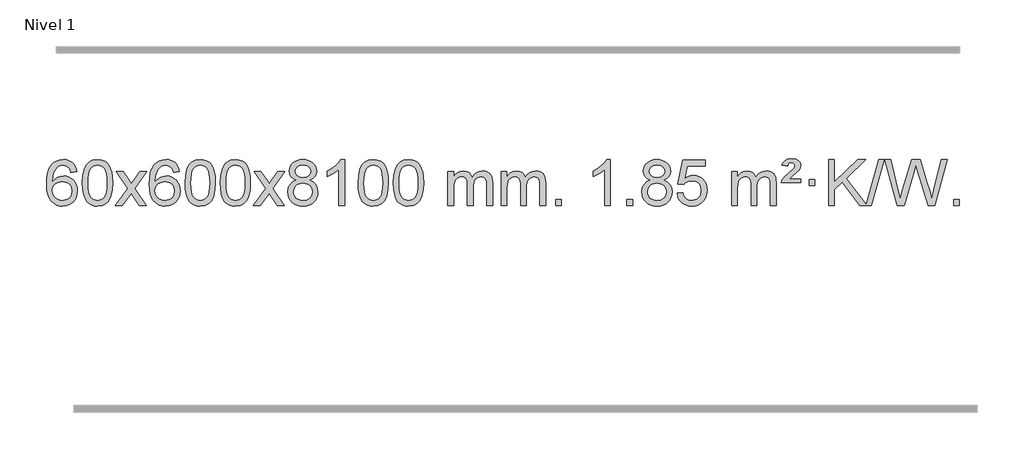
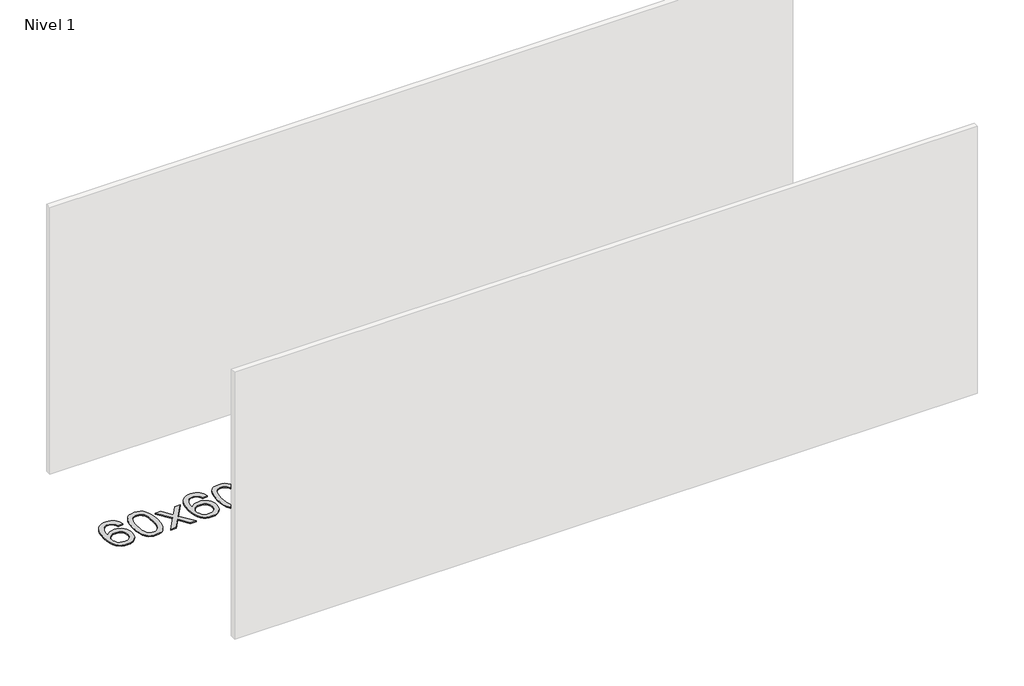
# One storey, part 12 of 18: 1 proxy.
"""IFC4 building model written with IfcOpenShell, lengths in millimetres."""

from ifc_helpers import new_model, si_unit, origin, origin_with_axes, place, context, project, spatial, polyline, outline, extrude, element, save

model = new_model("IFC4")

# Units and contexts
model_context = context("Model", 3, world=origin())
ifc_project = project(units=[si_unit("LENGTHUNIT", "METRE", prefix="MILLI")], contexts=[model_context])

# Site, building, storey
site = spatial("IfcSite", under=ifc_project)
building = spatial("IfcBuilding", under=site)
storey = spatial("IfcBuildingStorey", under=building, Name="Nivel 1", Elevation=0.0)

# Proxy
placement = place(None, origin())
element("IfcBuildingElementProxy", 1, Name="Texto de modelo 1", ObjectType="Texto de modelo 1", at=placement, inside=storey, context=model_context, shape_type="SweptSolid", body=[
    extrude(outline(polyline([(-12852.5741406, -6125.4890419), (-12902.8022957, -6131.7675613), (-12910.8956996, -6106.874213), (-12921.8340576, -6089.8780648), (-12944.6182158, -6074.2062918), (-12972.1603145, -6068.9823675), (-12995.5085585, -6072.0235253), (-13017.4833763, -6081.1469988), (-13036.3557227, -6100.3627017), (-13051.7699783, -6126.8134171), (-13062.1810387, -6164.227016), (-13066.0437997, -6216.3313693), (-13045.8961291, -6192.8237098), (-13021.7508075, -6176.2567573), (-12994.9567355, -6166.434308), (-12966.8628138, -6163.1601582), (-12942.7297549, -6165.398107), (-12920.4606315, -6172.1119534), (-12900.0554435, -6183.3016975), (-12881.5141909, -6198.9673391), (-12866.1060667, -6218.1769106), (-12855.1002637, -6239.9984443), (-12848.4967818, -6264.4319401), (-12846.2956212, -6291.4773982), (-12850.440425, -6327.4439945), (-12862.8748365, -6360.786366), (-12882.568786, -6389.0642287), (-12908.4922039, -6409.8372987), (-12939.4678679, -6422.602804), (-12974.3185556, -6426.8579724), (-13004.2610843, -6424.0375437), (-13031.3034766, -6415.5762579), (-13055.4457325, -6401.4741147), (-13076.6878521, -6381.7311143), (-13094.005897, -6355.5133908), (-13106.3759291, -6321.9870783), (-13113.7979483, -6281.1521768), (-13116.2719548, -6233.0086864), (-13113.5251025, -6179.0342663), (-13105.2845458, -6132.9693092), (-13091.5502847, -6094.8138149), (-13072.3223191, -6064.5677835), (-13051.481804, -6044.5243462), (-13027.3180883, -6030.2076052), (-12999.8311719, -6021.6175606), (-12969.0210548, -6018.7542124), (-12945.8874087, -6020.5261773), (-12924.9487918, -6025.8420722), (-12906.2052042, -6034.7018969), (-12889.6566457, -6047.1056515), (-12875.7507063, -6062.6364031), (-12864.9349757, -6080.8772186), (-12857.2094538, -6101.8280983), (-12852.5741406, -6125.4890419)]), holes=[polyline([(-13066.0437997, -6290.6925832), (-13063.1375319, -6312.9494439), (-13054.4187286, -6334.2007605), (-13040.8806712, -6352.472233), (-13023.516641, -6365.7895612), (-13002.5596301, -6373.9197533), (-12978.2426302, -6376.6298173), (-12945.0964624, -6371.0134855), (-12931.1813259, -6363.9930708), (-12919.0381544, -6354.1644901), (-12909.188114, -6341.9262824), (-12902.1523708, -6327.6769865), (-12896.5237763, -6293.1451299), (-12902.0787944, -6259.9989621), (-12909.0225671, -6246.3781312), (-12918.7438488, -6234.725469), (-12930.9238085, -6225.3904634), (-12945.2436152, -6218.7226022), (-12980.3027693, -6213.3883133), (-13013.3998862, -6218.7226022), (-13041.0768749, -6234.725469), (-13051.9999045, -6246.2248471), (-13059.8020685, -6259.3858254), (-13064.4833669, -6274.2084042), (-13066.0437997, -6290.6925832)])]), origin_with_axes(), (0.0, 0.0, 1.0), 10.0),
    extrude(outline(polyline([(-12802.3459855, -6222.9041943), (-12798.6549029, -6158.5861588), (-12787.5816548, -6107.2911459), (-12769.236606, -6068.2343407), (-12757.378543, -6053.0009605), (-12743.730121, -6040.6309284), (-12728.2453547, -6031.0598651), (-12710.8782588, -6024.2233914), (-12670.4970785, -6018.7542124), (-12639.5459399, -6021.991574), (-12611.832163, -6031.7036586), (-12588.6555973, -6047.5103217), (-12571.3160926, -6069.0314184), (-12558.2194935, -6096.0830078), (-12547.7716449, -6128.4811488), (-12540.9290398, -6169.6226186), (-12538.6481714, -6222.9041943), (-12542.3024659, -6286.8543477), (-12553.2653493, -6338.0267333), (-12571.5000336, -6377.1203266), (-12583.3305054, -6392.3996922), (-12596.9697304, -6404.8341036), (-12612.4728908, -6414.4695462), (-12629.8951689, -6421.3520052), (-12670.4970785, -6426.8579724), (-12698.1618045, -6424.4667394), (-12722.6872709, -6417.2930405), (-12744.0734775, -6405.3368757), (-12762.3204245, -6388.5982449), (-12779.8316074, -6358.3399508), (-12792.3395953, -6320.6381776), (-12799.844388, -6275.4929255), (-12802.3459855, -6222.9041943)]), holes=[polyline([(-12752.1178305, -6222.8060924), (-12750.6463025, -6266.4706195), (-12746.2317185, -6301.8148822), (-12738.8740786, -6328.8388804), (-12728.5733828, -6347.5426142), (-12716.1144459, -6360.2682656), (-12702.2820829, -6369.3580165), (-12687.0762937, -6374.8118671), (-12670.4970785, -6376.6298173), (-12653.9178632, -6374.8057357), (-12638.7120741, -6369.3334911), (-12624.8797111, -6360.2130833), (-12612.4207742, -6347.4445124), (-12602.1200783, -6328.7101217), (-12594.7624384, -6301.6922549), (-12590.3478545, -6266.3909118), (-12588.8763265, -6222.8060924), (-12590.2988035, -6180.2973278), (-12594.5662347, -6145.5753989), (-12601.6786199, -6118.6403055), (-12611.6359592, -6099.4920476), (-12623.8864297, -6086.1440625), (-12637.8782082, -6076.6097875), (-12653.6112949, -6070.8892225), (-12671.0856897, -6068.9823675), (-12687.5790658, -6070.6623619), (-12702.5273375, -6075.7023452), (-12715.9305049, -6084.1023175), (-12727.7885679, -6095.8622786), (-12738.4326203, -6116.708925), (-12746.0355148, -6144.8151094), (-12750.5972516, -6180.1808319), (-12752.1178305, -6222.8060924)])]), origin_with_axes(), (0.0, 0.0, 1.0), 10.0),
    extrude(outline(polyline([(-12513.5340939, -6420.579453), (-12406.2106531, -6272.2494325), (-12507.2555745, -6125.4890419), (-12446.8248254, -6125.4890419), (-12398.0681983, -6196.122385), (-12375.3085655, -6229.4770192), (-12355.5900906, -6202.2047007), (-12300.0644348, -6125.4890419), (-12239.6336857, -6125.4890419), (-12345.7799041, -6272.2494325), (-12243.5577603, -6420.579453), (-12303.9885094, -6420.579453), (-12365.498379, -6331.4048574), (-12376.7800935, -6315.1199477), (-12453.1033448, -6420.579453), (-12513.5340939, -6420.579453)])), origin_with_axes(), (0.0, 0.0, 1.0), 10.0),
    extrude(outline(polyline([(-11954.7458687, -6125.4890419), (-12004.9740237, -6131.7675613), (-12013.0674276, -6106.874213), (-12024.0057856, -6089.8780648), (-12046.7899439, -6074.2062918), (-12074.3320426, -6068.9823675), (-12097.6802865, -6072.0235253), (-12119.6551044, -6081.1469988), (-12138.5274507, -6100.3627017), (-12153.9417063, -6126.8134171), (-12164.3527668, -6164.227016), (-12168.2155277, -6216.3313693), (-12148.0678571, -6192.8237098), (-12123.9225355, -6176.2567573), (-12097.1284635, -6166.434308), (-12069.0345418, -6163.1601582), (-12044.9014829, -6165.398107), (-12022.6323595, -6172.1119534), (-12002.2271715, -6183.3016975), (-11983.6859189, -6198.9673391), (-11968.2777947, -6218.1769106), (-11957.2719917, -6239.9984443), (-11950.6685099, -6264.4319401), (-11948.4673493, -6291.4773982), (-11952.6121531, -6327.4439945), (-11965.0465645, -6360.786366), (-11984.740514, -6389.0642287), (-12010.6639319, -6409.8372987), (-12041.6395959, -6422.602804), (-12076.4902836, -6426.8579724), (-12106.4328123, -6424.0375437), (-12133.4752046, -6415.5762579), (-12157.6174606, -6401.4741147), (-12178.8595801, -6381.7311143), (-12196.177625, -6355.5133908), (-12208.5476571, -6321.9870783), (-12215.9696764, -6281.1521768), (-12218.4436828, -6233.0086864), (-12215.6968306, -6179.0342663), (-12207.4562739, -6132.9693092), (-12193.7220127, -6094.8138149), (-12174.4940471, -6064.5677835), (-12153.6535321, -6044.5243462), (-12129.4898164, -6030.2076052), (-12102.0029, -6021.6175606), (-12071.1927829, -6018.7542124), (-12048.0591367, -6020.5261773), (-12027.1205198, -6025.8420722), (-12008.3769322, -6034.7018969), (-11991.8283738, -6047.1056515), (-11977.9224344, -6062.6364031), (-11967.1067037, -6080.8772186), (-11959.3811818, -6101.8280983), (-11954.7458687, -6125.4890419)]), holes=[polyline([(-12168.2155277, -6290.6925832), (-12165.30926, -6312.9494439), (-12156.5904567, -6334.2007605), (-12143.0523993, -6352.472233), (-12125.6883691, -6365.7895612), (-12104.7313581, -6373.9197533), (-12080.4143582, -6376.6298173), (-12047.2681904, -6371.0134855), (-12033.353054, -6363.9930708), (-12021.2098825, -6354.1644901), (-12011.359842, -6341.9262824), (-12004.3240989, -6327.6769865), (-11998.6955043, -6293.1451299), (-12004.2505225, -6259.9989621), (-12011.1942951, -6246.3781312), (-12020.9155769, -6234.725469), (-12033.0955366, -6225.3904634), (-12047.4153432, -6218.7226022), (-12082.4744974, -6213.3883133), (-12115.5716142, -6218.7226022), (-12143.248603, -6234.725469), (-12154.1716326, -6246.2248471), (-12161.9737965, -6259.3858254), (-12166.6550949, -6274.2084042), (-12168.2155277, -6290.6925832)])]), origin_with_axes(), (0.0, 0.0, 1.0), 10.0),
    extrude(outline(polyline([(-11904.5177136, -6222.9041943), (-11900.8266309, -6158.5861588), (-11889.7533828, -6107.2911459), (-11871.408334, -6068.2343407), (-11859.550271, -6053.0009605), (-11845.901849, -6040.6309284), (-11830.4170827, -6031.0598651), (-11813.0499869, -6024.2233914), (-11772.6688065, -6018.7542124), (-11741.717668, -6021.991574), (-11714.003891, -6031.7036586), (-11690.8273253, -6047.5103217), (-11673.4878206, -6069.0314184), (-11660.3912216, -6096.0830078), (-11649.9433729, -6128.4811488), (-11643.1007678, -6169.6226186), (-11640.8198994, -6222.9041943), (-11644.4741939, -6286.8543477), (-11655.4370774, -6338.0267333), (-11673.6717616, -6377.1203266), (-11685.5022334, -6392.3996922), (-11699.1414584, -6404.8341036), (-11714.6446188, -6414.4695462), (-11732.066897, -6421.3520052), (-11772.6688065, -6426.8579724), (-11800.3335326, -6424.4667394), (-11824.8589989, -6417.2930405), (-11846.2452055, -6405.3368757), (-11864.4921525, -6388.5982449), (-11882.0033355, -6358.3399508), (-11894.5113233, -6320.6381776), (-11902.016116, -6275.4929255), (-11904.5177136, -6222.9041943)]), holes=[polyline([(-11854.2895585, -6222.8060924), (-11852.8180305, -6266.4706195), (-11848.4034466, -6301.8148822), (-11841.0458067, -6328.8388804), (-11830.7451108, -6347.5426142), (-11818.2861739, -6360.2682656), (-11804.4538109, -6369.3580165), (-11789.2480218, -6374.8118671), (-11772.6688065, -6376.6298173), (-11756.0895913, -6374.8057357), (-11740.8838021, -6369.3334911), (-11727.0514391, -6360.2130833), (-11714.5925022, -6347.4445124), (-11704.2918063, -6328.7101217), (-11696.9341664, -6301.6922549), (-11692.5195825, -6266.3909118), (-11691.0480545, -6222.8060924), (-11692.4705316, -6180.2973278), (-11696.7379627, -6145.5753989), (-11703.8503479, -6118.6403055), (-11713.8076873, -6099.4920476), (-11726.0581577, -6086.1440625), (-11740.0499363, -6076.6097875), (-11755.7830229, -6070.8892225), (-11773.2574177, -6068.9823675), (-11789.7507938, -6070.6623619), (-11804.6990656, -6075.7023452), (-11818.1022329, -6084.1023175), (-11829.9602959, -6095.8622786), (-11840.6043483, -6116.708925), (-11848.2072429, -6144.8151094), (-11852.7689796, -6180.1808319), (-11854.2895585, -6222.8060924)])]), origin_with_axes(), (0.0, 0.0, 1.0), 10.0),
    extrude(outline(polyline([(-11596.8702638, -6222.9041943), (-11593.1791811, -6158.5861588), (-11582.105933, -6107.2911459), (-11563.7608842, -6068.2343407), (-11551.9028212, -6053.0009605), (-11538.2543992, -6040.6309284), (-11522.7696329, -6031.0598651), (-11505.402537, -6024.2233914), (-11465.0213567, -6018.7542124), (-11434.0702182, -6021.991574), (-11406.3564412, -6031.7036586), (-11383.1798755, -6047.5103217), (-11365.8403708, -6069.0314184), (-11352.7437718, -6096.0830078), (-11342.2959231, -6128.4811488), (-11335.453318, -6169.6226186), (-11333.1724496, -6222.9041943), (-11336.8267441, -6286.8543477), (-11347.7896275, -6338.0267333), (-11366.0243118, -6377.1203266), (-11377.8547836, -6392.3996922), (-11391.4940086, -6404.8341036), (-11406.997169, -6414.4695462), (-11424.4194471, -6421.3520052), (-11465.0213567, -6426.8579724), (-11492.6860827, -6424.4667394), (-11517.2115491, -6417.2930405), (-11538.5977557, -6405.3368757), (-11556.8447027, -6388.5982449), (-11574.3558856, -6358.3399508), (-11586.8638735, -6320.6381776), (-11594.3686662, -6275.4929255), (-11596.8702638, -6222.9041943)]), holes=[polyline([(-11546.6421087, -6222.8060924), (-11545.1705807, -6266.4706195), (-11540.7559968, -6301.8148822), (-11533.3983568, -6328.8388804), (-11523.097661, -6347.5426142), (-11510.6387241, -6360.2682656), (-11496.8063611, -6369.3580165), (-11481.6005719, -6374.8118671), (-11465.0213567, -6376.6298173), (-11448.4421414, -6374.8057357), (-11433.2363523, -6369.3334911), (-11419.4039893, -6360.2130833), (-11406.9450524, -6347.4445124), (-11396.6443565, -6328.7101217), (-11389.2867166, -6301.6922549), (-11384.8721327, -6266.3909118), (-11383.4006047, -6222.8060924), (-11384.8230817, -6180.2973278), (-11389.0905129, -6145.5753989), (-11396.2028981, -6118.6403055), (-11406.1602375, -6099.4920476), (-11418.4107079, -6086.1440625), (-11432.4024864, -6076.6097875), (-11448.1355731, -6070.8892225), (-11465.6099679, -6068.9823675), (-11482.103344, -6070.6623619), (-11497.0516157, -6075.7023452), (-11510.4547831, -6084.1023175), (-11522.3128461, -6095.8622786), (-11532.9568985, -6116.708925), (-11540.559793, -6144.8151094), (-11545.1215298, -6180.1808319), (-11546.6421087, -6222.8060924)])]), origin_with_axes(), (0.0, 0.0, 1.0), 10.0),
    extrude(outline(polyline([(-11308.0583721, -6420.579453), (-11200.7349313, -6272.2494325), (-11301.7798527, -6125.4890419), (-11241.3491036, -6125.4890419), (-11192.5924765, -6196.122385), (-11169.8328437, -6229.4770192), (-11150.1143688, -6202.2047007), (-11094.588713, -6125.4890419), (-11034.1579639, -6125.4890419), (-11140.3041823, -6272.2494325), (-11038.0820385, -6420.579453), (-11098.5127876, -6420.579453), (-11160.0226572, -6331.4048574), (-11171.3043717, -6315.1199477), (-11247.627623, -6420.579453), (-11308.0583721, -6420.579453)])), origin_with_axes(), (0.0, 0.0, 1.0), 10.0),
    extrude(outline(polyline([(-10933.50545, -6199.2616447), (-10960.3976239, -6186.0178929), (-10979.2699702, -6168.0652515), (-10990.4167947, -6145.7716026), (-10994.1324029, -6119.5048281), (-10992.1090519, -6099.0199324), (-10986.038999, -6080.2395565), (-10975.9222441, -6063.1637006), (-10961.7587873, -6047.7923645), (-10944.2292102, -6035.088173), (-10924.0140946, -6026.0137504), (-10901.1134404, -6020.5690969), (-10875.5272476, -6018.7542124), (-10849.8184275, -6020.6120165), (-10826.746095, -6026.1854287), (-10806.3102502, -6035.4744491), (-10788.510893, -6048.4790776), (-10774.0899188, -6064.1508506), (-10763.7892229, -6081.4413044), (-10757.6088054, -6100.3504389), (-10755.5486662, -6120.8782543), (-10759.2152235, -6146.2989001), (-10770.2148951, -6168.2124043), (-10788.6703085, -6186.0546811), (-10814.7040911, -6199.2616447), (-10783.7897407, -6215.1909351), (-10761.2876254, -6238.6495436), (-10747.565627, -6268.5092989), (-10742.9916275, -6303.6420295), (-10745.2602331, -6328.6947933), (-10752.06605, -6351.6628926), (-10763.4090782, -6372.5463272), (-10779.2893177, -6391.3450971), (-10798.8729025, -6406.88198), (-10821.325967, -6417.9797536), (-10846.648511, -6424.6384177), (-10874.8405346, -6426.8579724), (-10903.0325581, -6424.6292206), (-10928.3551021, -6417.9429654), (-10950.8081666, -6406.7992066), (-10970.3917514, -6391.1979443), (-10986.2719909, -6372.26735), (-10997.6150191, -6351.135595), (-11004.420836, -6327.8026795), (-11006.6894416, -6302.2686033), (-11001.9315012, -6265.7747094), (-10987.6576797, -6235.7555386), (-10964.6037414, -6213.2411605), (-10933.50545, -6199.2616447)]), holes=[polyline([(-10943.9042478, -6120.9763561), (-10939.4528756, -6142.902123), (-10926.0987592, -6160.413306), (-10904.234306, -6171.8912243), (-10874.2519234, -6175.717197), (-10844.9685165, -6171.9157497), (-10823.4351571, -6160.5114079), (-10810.1914053, -6143.5888361), (-10805.7768213, -6123.232699), (-10810.3385581, -6102.1040098), (-10824.0237683, -6084.629615), (-10845.8514333, -6072.8941794), (-10874.8405346, -6068.9823675), (-10904.0135768, -6072.8083402), (-10925.8044536, -6084.2862585), (-10939.3792992, -6101.1107284), (-10943.9042478, -6120.9763561)]), polyline([(-10956.4612865, -6300.5027698), (-10954.3643592, -6319.7184726), (-10948.0735771, -6338.3210389), (-10936.4607687, -6354.5446349), (-10918.3977628, -6366.623427), (-10896.7663015, -6374.1282197), (-10874.4481271, -6376.6298173), (-10840.259627, -6371.3691048), (-10826.3659503, -6364.7932141), (-10814.6059892, -6355.5869672), (-10798.5663342, -6331.6869002), (-10793.2197826, -6302.0723996), (-10798.7380125, -6271.9551269), (-10815.2927023, -6247.5277625), (-10827.3714944, -6238.0854579), (-10841.5349513, -6231.3409547), (-10876.1158588, -6225.9453521), (-10909.8261123, -6231.2673783), (-10923.5634391, -6237.919911), (-10935.2222327, -6247.2334569), (-10951.1515231, -6271.1948375), (-10956.4612865, -6300.5027698)])]), origin_with_axes(), (0.0, 0.0, 1.0), 10.0),
    extrude(outline(polyline([(-10510.6864103, -6420.579453), (-10560.9145653, -6420.579453), (-10560.9145653, -6107.4382987), (-10581.8838391, -6124.3976587), (-10608.49397, -6141.3324932), (-10661.3708755, -6166.6918254), (-10661.3708755, -6119.2105225), (-10621.9216629, -6097.7507395), (-10587.7454255, -6072.219729), (-10560.8042007, -6045.0700378), (-10543.0600258, -6018.7542124), (-10510.6864103, -6018.7542124), (-10510.6864103, -6420.579453)])), origin_with_axes(), (0.0, 0.0, 1.0), 10.0),
    extrude(outline(polyline([(-10391.394542, -6222.9041943), (-10387.7034593, -6158.5861588), (-10376.6302112, -6107.2911459), (-10358.2851624, -6068.2343407), (-10346.4270994, -6053.0009605), (-10332.7786774, -6040.6309284), (-10317.2939111, -6031.0598651), (-10299.9268152, -6024.2233914), (-10259.5456349, -6018.7542124), (-10228.5944964, -6021.991574), (-10200.8807194, -6031.7036586), (-10177.7041537, -6047.5103217), (-10160.364649, -6069.0314184), (-10147.26805, -6096.0830078), (-10136.8202013, -6128.4811488), (-10129.9775962, -6169.6226186), (-10127.6967278, -6222.9041943), (-10131.3510223, -6286.8543477), (-10142.3139058, -6338.0267333), (-10160.54859, -6377.1203266), (-10172.3790618, -6392.3996922), (-10186.0182868, -6404.8341036), (-10201.5214472, -6414.4695462), (-10218.9437253, -6421.3520052), (-10259.5456349, -6426.8579724), (-10287.2103609, -6424.4667394), (-10311.7358273, -6417.2930405), (-10333.1220339, -6405.3368757), (-10351.3689809, -6388.5982449), (-10368.8801639, -6358.3399508), (-10381.3881517, -6320.6381776), (-10388.8929444, -6275.4929255), (-10391.394542, -6222.9041943)]), holes=[polyline([(-10341.1663869, -6222.8060924), (-10339.6948589, -6266.4706195), (-10335.280275, -6301.8148822), (-10327.9226351, -6328.8388804), (-10317.6219392, -6347.5426142), (-10305.1630023, -6360.2682656), (-10291.3306393, -6369.3580165), (-10276.1248501, -6374.8118671), (-10259.5456349, -6376.6298173), (-10242.9664196, -6374.8057357), (-10227.7606305, -6369.3334911), (-10213.9282675, -6360.2130833), (-10201.4693306, -6347.4445124), (-10191.1686347, -6328.7101217), (-10183.8109948, -6301.6922549), (-10179.3964109, -6266.3909118), (-10177.9248829, -6222.8060924), (-10179.3473599, -6180.2973278), (-10183.6147911, -6145.5753989), (-10190.7271763, -6118.6403055), (-10200.6845157, -6099.4920476), (-10212.9349861, -6086.1440625), (-10226.9267646, -6076.6097875), (-10242.6598513, -6070.8892225), (-10260.1342461, -6068.9823675), (-10276.6276222, -6070.6623619), (-10291.5758939, -6075.7023452), (-10304.9790613, -6084.1023175), (-10316.8371243, -6095.8622786), (-10327.4811767, -6116.708925), (-10335.0840712, -6144.8151094), (-10339.645808, -6180.1808319), (-10341.1663869, -6222.8060924)])]), origin_with_axes(), (0.0, 0.0, 1.0), 10.0),
    extrude(outline(polyline([(-10083.7470921, -6222.9041943), (-10080.0560094, -6158.5861588), (-10068.9827614, -6107.2911459), (-10050.6377126, -6068.2343407), (-10038.7796496, -6053.0009605), (-10025.1312276, -6040.6309284), (-10009.6464612, -6031.0598651), (-9992.2793654, -6024.2233914), (-9951.8981851, -6018.7542124), (-9920.9470465, -6021.991574), (-9893.2332696, -6031.7036586), (-9870.0567039, -6047.5103217), (-9852.7171992, -6069.0314184), (-9839.6206001, -6096.0830078), (-9829.1727515, -6128.4811488), (-9822.3301463, -6169.6226186), (-9820.049278, -6222.9041943), (-9823.7035725, -6286.8543477), (-9834.6664559, -6338.0267333), (-9852.9011401, -6377.1203266), (-9864.731612, -6392.3996922), (-9878.3708369, -6404.8341036), (-9893.8739974, -6414.4695462), (-9911.2962755, -6421.3520052), (-9951.8981851, -6426.8579724), (-9979.5629111, -6424.4667394), (-10004.0883774, -6417.2930405), (-10025.4745841, -6405.3368757), (-10043.721531, -6388.5982449), (-10061.232714, -6358.3399508), (-10073.7407019, -6320.6381776), (-10081.2454946, -6275.4929255), (-10083.7470921, -6222.9041943)]), holes=[polyline([(-10033.518937, -6222.8060924), (-10032.0474091, -6266.4706195), (-10027.6328251, -6301.8148822), (-10020.2751852, -6328.8388804), (-10009.9744894, -6347.5426142), (-9997.5155525, -6360.2682656), (-9983.6831894, -6369.3580165), (-9968.4774003, -6374.8118671), (-9951.8981851, -6376.6298173), (-9935.3189698, -6374.8057357), (-9920.1131807, -6369.3334911), (-9906.2808176, -6360.2130833), (-9893.8218807, -6347.4445124), (-9883.5211849, -6328.7101217), (-9876.163545, -6301.6922549), (-9871.748961, -6266.3909118), (-9870.2774331, -6222.8060924), (-9871.6999101, -6180.2973278), (-9875.9673412, -6145.5753989), (-9883.0797265, -6118.6403055), (-9893.0370658, -6099.4920476), (-9905.2875363, -6086.1440625), (-9919.2793148, -6076.6097875), (-9935.0124015, -6070.8892225), (-9952.4867962, -6068.9823675), (-9968.9801724, -6070.6623619), (-9983.9284441, -6075.7023452), (-9997.3316115, -6084.1023175), (-10009.1896744, -6095.8622786), (-10019.8337268, -6116.708925), (-10027.4366214, -6144.8151094), (-10031.9983581, -6180.1808319), (-10033.518937, -6222.8060924)])]), origin_with_axes(), (0.0, 0.0, 1.0), 10.0),
    extrude(outline(polyline([(-9606.5796189, -6420.579453), (-9606.5796189, -6125.4890419), (-9556.3514638, -6125.4890419), (-9556.3514638, -6174.0494653), (-9541.2437766, -6151.7435537), (-9521.8196072, -6134.2691589), (-9498.7411434, -6122.9751816), (-9472.6705727, -6119.2105225), (-9444.7360665, -6123.048758), (-9422.3443157, -6134.5634645), (-9405.6179477, -6152.9943524), (-9394.6795897, -6177.5811324), (-9376.3713291, -6152.0439906), (-9355.4878945, -6133.803175), (-9332.0292859, -6122.8586857), (-9305.9955034, -6119.2105225), (-9285.8876867, -6120.7280358), (-9268.2385479, -6125.2805755), (-9253.0480872, -6132.8681416), (-9240.3163045, -6143.4907342), (-9230.2516663, -6157.2709806), (-9223.0626389, -6174.3315082), (-9218.7492225, -6194.6723168), (-9217.3114171, -6218.2934066), (-9217.3114171, -6420.579453), (-9267.5395722, -6420.579453), (-9267.5395722, -6239.875817), (-9268.7045318, -6214.8230531), (-9272.1994108, -6197.9372695), (-9278.7477103, -6186.3735121), (-9289.0729316, -6177.2868268), (-9302.3534716, -6171.4007149), (-9317.7677272, -6169.4386776), (-9344.9787321, -6174.4663982), (-9367.1620165, -6189.54956), (-9375.7673895, -6201.1194488), (-9381.9140845, -6215.7182326), (-9386.8314405, -6254.0024856), (-9386.8314405, -6420.579453), (-9437.0595955, -6420.579453), (-9437.0595955, -6234.2840106), (-9439.9658633, -6205.8835206), (-9448.6846666, -6185.6254854), (-9464.0253458, -6173.4853796), (-9486.7972413, -6169.4386776), (-9506.1478342, -6172.1364789), (-9523.9778483, -6180.2298828), (-9538.6931281, -6193.5226856), (-9548.6995183, -6211.8186835), (-9554.4384775, -6237.2025411), (-9556.3514638, -6271.7589232), (-9556.3514638, -6420.579453), (-9606.5796189, -6420.579453)])), origin_with_axes(), (0.0, 0.0, 1.0), 10.0),
    extrude(outline(polyline([(-9141.9691845, -6420.579453), (-9141.9691845, -6125.4890419), (-9091.7410294, -6125.4890419), (-9091.7410294, -6174.0494653), (-9076.6333421, -6151.7435537), (-9057.2091728, -6134.2691589), (-9034.130709, -6122.9751816), (-9008.0601382, -6119.2105225), (-8980.1256321, -6123.048758), (-8957.7338813, -6134.5634645), (-8941.0075132, -6152.9943524), (-8930.0691552, -6177.5811324), (-8911.7608946, -6152.0439906), (-8890.87746, -6133.803175), (-8867.4188515, -6122.8586857), (-8841.3850689, -6119.2105225), (-8821.2772522, -6120.7280358), (-8803.6281135, -6125.2805755), (-8788.4376528, -6132.8681416), (-8775.7058701, -6143.4907342), (-8765.6412318, -6157.2709806), (-8758.4522045, -6174.3315082), (-8754.1387881, -6194.6723168), (-8752.7009826, -6218.2934066), (-8752.7009826, -6420.579453), (-8802.9291377, -6420.579453), (-8802.9291377, -6239.875817), (-8804.0940974, -6214.8230531), (-8807.5889763, -6197.9372695), (-8814.1372758, -6186.3735121), (-8824.4624972, -6177.2868268), (-8837.7430372, -6171.4007149), (-8853.1572928, -6169.4386776), (-8880.3682977, -6174.4663982), (-8902.551582, -6189.54956), (-8911.156955, -6201.1194488), (-8917.30365, -6215.7182326), (-8922.221006, -6254.0024856), (-8922.221006, -6420.579453), (-8972.4491611, -6420.579453), (-8972.4491611, -6234.2840106), (-8975.3554289, -6205.8835206), (-8984.0742321, -6185.6254854), (-8999.4149113, -6173.4853796), (-9022.1868068, -6169.4386776), (-9041.5373998, -6172.1364789), (-9059.3674138, -6180.2298828), (-9074.0826936, -6193.5226856), (-9084.0890839, -6211.8186835), (-9089.828043, -6237.2025411), (-9091.7410294, -6271.7589232), (-9091.7410294, -6420.579453), (-9141.9691845, -6420.579453)])), origin_with_axes(), (0.0, 0.0, 1.0), 10.0),
    extrude(outline(polyline([(-8664.8017113, -6420.579453), (-8664.8017113, -6370.3512979), (-8614.5735562, -6370.3512979), (-8614.5735562, -6420.579453), (-8664.8017113, -6420.579453)])), origin_with_axes(), (0.0, 0.0, 1.0), 10.0),
    extrude(outline(polyline([(-8187.634238, -6420.579453), (-8237.8623931, -6420.579453), (-8237.8623931, -6107.4382987), (-8258.8316668, -6124.3976587), (-8285.4417978, -6141.3324932), (-8338.3187033, -6166.6918254), (-8338.3187033, -6119.2105225), (-8298.8694907, -6097.7507395), (-8264.6932533, -6072.219729), (-8237.7520285, -6045.0700378), (-8220.0078536, -6018.7542124), (-8187.634238, -6018.7542124), (-8187.634238, -6420.579453)])), origin_with_axes(), (0.0, 0.0, 1.0), 10.0),
    extrude(outline(polyline([(-8043.2282922, -6420.579453), (-8043.2282922, -6370.3512979), (-7993.0001371, -6370.3512979), (-7993.0001371, -6420.579453), (-8043.2282922, -6420.579453)])), origin_with_axes(), (0.0, 0.0, 1.0), 10.0),
    extrude(outline(polyline([(-7838.1953936, -6199.2616447), (-7865.0875674, -6186.0178929), (-7883.9599138, -6168.0652515), (-7895.1067382, -6145.7716026), (-7898.8223464, -6119.5048281), (-7896.7989954, -6099.0199324), (-7890.7289425, -6080.2395565), (-7880.6121876, -6063.1637006), (-7866.4487308, -6047.7923645), (-7848.9191537, -6035.088173), (-7828.7040381, -6026.0137504), (-7805.8033839, -6020.5690969), (-7780.2171911, -6018.7542124), (-7754.508371, -6020.6120165), (-7731.4360386, -6026.1854287), (-7711.0001937, -6035.4744491), (-7693.2008365, -6048.4790776), (-7678.7798623, -6064.1508506), (-7668.4791665, -6081.4413044), (-7662.2987489, -6100.3504389), (-7660.2386098, -6120.8782543), (-7663.905167, -6146.2989001), (-7674.9048386, -6168.2124043), (-7693.3602521, -6186.0546811), (-7719.3940346, -6199.2616447), (-7688.4796843, -6215.1909351), (-7665.9775689, -6238.6495436), (-7652.2555705, -6268.5092989), (-7647.681571, -6303.6420295), (-7649.9501766, -6328.6947933), (-7656.7559935, -6351.6628926), (-7668.0990217, -6372.5463272), (-7683.9792612, -6391.3450971), (-7703.5628461, -6406.88198), (-7726.0159105, -6417.9797536), (-7751.3384545, -6424.6384177), (-7779.5304781, -6426.8579724), (-7807.7225016, -6424.6292206), (-7833.0450456, -6417.9429654), (-7855.4981101, -6406.7992066), (-7875.0816949, -6391.1979443), (-7890.9619344, -6372.26735), (-7902.3049626, -6351.135595), (-7909.1107795, -6327.8026795), (-7911.3793851, -6302.2686033), (-7906.6214447, -6265.7747094), (-7892.3476233, -6235.7555386), (-7869.2936849, -6213.2411605), (-7838.1953936, -6199.2616447)]), holes=[polyline([(-7848.5941913, -6120.9763561), (-7844.1428192, -6142.902123), (-7830.7887027, -6160.413306), (-7808.9242495, -6171.8912243), (-7778.9418669, -6175.717197), (-7749.6584601, -6171.9157497), (-7728.1251006, -6160.5114079), (-7714.8813488, -6143.5888361), (-7710.4667648, -6123.232699), (-7715.0285016, -6102.1040098), (-7728.7137118, -6084.629615), (-7750.5413768, -6072.8941794), (-7779.5304781, -6068.9823675), (-7808.7035203, -6072.8083402), (-7830.4943971, -6084.2862585), (-7844.0692428, -6101.1107284), (-7848.5941913, -6120.9763561)]), polyline([(-7861.1512301, -6300.5027698), (-7859.0543027, -6319.7184726), (-7852.7635206, -6338.3210389), (-7841.1507123, -6354.5446349), (-7823.0877063, -6366.623427), (-7801.456245, -6374.1282197), (-7779.1380706, -6376.6298173), (-7744.9495705, -6371.3691048), (-7731.0558938, -6364.7932141), (-7719.2959327, -6355.5869672), (-7703.2562777, -6331.6869002), (-7697.9097261, -6302.0723996), (-7703.427956, -6271.9551269), (-7719.9826458, -6247.5277625), (-7732.061438, -6238.0854579), (-7746.2248948, -6231.3409547), (-7780.8058023, -6225.9453521), (-7814.5160558, -6231.2673783), (-7828.2533826, -6237.919911), (-7839.9121762, -6247.2334569), (-7855.8414666, -6271.1948375), (-7861.1512301, -6300.5027698)])]), origin_with_axes(), (0.0, 0.0, 1.0), 10.0),
    extrude(outline(polyline([(-7603.7319353, -6313.8446235), (-7553.5037802, -6307.5661041), (-7544.2822049, -6337.7201649), (-7528.193499, -6359.3148381), (-7505.3112389, -6372.3010725), (-7475.709001, -6376.6298173), (-7456.5791372, -6375.1245668), (-7439.7056164, -6370.6088153), (-7425.0884384, -6363.0825628), (-7412.7276034, -6352.5458094), (-7402.8990228, -6339.519721), (-7395.878608, -6324.5254641), (-7390.2622762, -6288.6324441), (-7395.5229888, -6254.8363514), (-7402.0988794, -6240.9181493), (-7411.3051264, -6228.9865099), (-7423.1723864, -6219.4154467), (-7437.7313163, -6212.5789729), (-7474.9241861, -6207.1097939), (-7499.2902369, -6209.2925604), (-7519.0209745, -6215.8408599), (-7534.7785867, -6225.8717757), (-7547.2252608, -6238.5023908), (-7597.4534159, -6232.2238715), (-7553.5037802, -6025.0327318), (-7358.8696793, -6025.0327318), (-7358.8696793, -6075.2608869), (-7512.889608, -6075.2608869), (-7534.3739165, -6185.919791), (-7516.6481357, -6173.2155994), (-7498.4931592, -6164.1411769), (-7479.9089871, -6158.6965234), (-7460.8956193, -6156.8816388), (-7436.4345323, -6159.1318504), (-7413.9661395, -6165.882485), (-7393.4904407, -6177.1335427), (-7375.0074362, -6192.8850234), (-7359.7066109, -6212.1743027), (-7348.7774499, -6234.038756), (-7342.2199533, -6258.4783832), (-7340.0341212, -6285.4931844), (-7342.0022898, -6311.5147042), (-7347.9067959, -6335.7213394), (-7357.7476392, -6358.1130902), (-7371.5248199, -6378.6899565), (-7392.3959918, -6399.7634634), (-7416.7497799, -6414.8159684), (-7444.5861842, -6423.8474714), (-7475.9052047, -6426.8579724), (-7501.825557, -6424.9235262), (-7525.2381803, -6419.1201877), (-7546.1430746, -6409.447957), (-7564.5402401, -6395.9068338), (-7579.8471968, -6379.1712688), (-7591.4814649, -6359.915712), (-7599.4430444, -6338.1401636), (-7603.7319353, -6313.8446235)])), origin_with_axes(), (0.0, 0.0, 1.0), 10.0),
    extrude(outline(polyline([(-7126.5644621, -6420.579453), (-7126.5644621, -6125.4890419), (-7076.336307, -6125.4890419), (-7076.336307, -6174.0494653), (-7061.2286197, -6151.7435537), (-7041.8044504, -6134.2691589), (-7018.7259866, -6122.9751816), (-6992.6554158, -6119.2105225), (-6964.7209097, -6123.048758), (-6942.3291589, -6134.5634645), (-6925.6027909, -6152.9943524), (-6914.6644329, -6177.5811324), (-6896.3561722, -6152.0439906), (-6875.4727377, -6133.803175), (-6852.0141291, -6122.8586857), (-6825.9803466, -6119.2105225), (-6805.8725298, -6120.7280358), (-6788.2233911, -6125.2805755), (-6773.0329304, -6132.8681416), (-6760.3011477, -6143.4907342), (-6750.2365094, -6157.2709806), (-6743.0474821, -6174.3315082), (-6738.7340657, -6194.6723168), (-6737.2962603, -6218.2934066), (-6737.2962603, -6420.579453), (-6787.5244153, -6420.579453), (-6787.5244153, -6239.875817), (-6788.689375, -6214.8230531), (-6792.1842539, -6197.9372695), (-6798.7325535, -6186.3735121), (-6809.0577748, -6177.2868268), (-6822.3383148, -6171.4007149), (-6837.7525704, -6169.4386776), (-6864.9635753, -6174.4663982), (-6887.1468596, -6189.54956), (-6895.7522326, -6201.1194488), (-6901.8989276, -6215.7182326), (-6906.8162836, -6254.0024856), (-6906.8162836, -6420.579453), (-6957.0444387, -6420.579453), (-6957.0444387, -6234.2840106), (-6959.9507065, -6205.8835206), (-6968.6695098, -6185.6254854), (-6984.010189, -6173.4853796), (-7006.7820845, -6169.4386776), (-7026.1326774, -6172.1364789), (-7043.9626914, -6180.2298828), (-7058.6779713, -6193.5226856), (-7068.6843615, -6211.8186835), (-7074.4233206, -6237.2025411), (-7076.336307, -6271.7589232), (-7076.336307, -6420.579453), (-7126.5644621, -6420.579453)])), origin_with_axes(), (0.0, 0.0, 1.0), 10.0),
    extrude(outline(polyline([(-6693.3466246, -6219.6668327), (-6689.5206518, -6203.8479069), (-6681.1819933, -6187.9799302), (-6659.6731593, -6162.8413272), (-6627.7164766, -6135.1030247), (-6583.5706372, -6097.726214), (-6576.4337265, -6086.1992448), (-6574.0547563, -6074.3779701), (-6575.9432172, -6062.2869152), (-6581.6085999, -6052.5012541), (-6590.977328, -6046.026531), (-6603.9758252, -6043.8682899), (-6616.4102366, -6045.4869707), (-6625.26393, -6050.343013), (-6631.6896022, -6059.8098431), (-6636.8399501, -6075.2608869), (-6687.0681052, -6068.9823675), (-6676.2278491, -6043.7701881), (-6659.5995829, -6026.2099542), (-6635.834406, -6015.9092583), (-6603.5834178, -6012.475693), (-6567.8007624, -6016.6082341), (-6543.0545668, -6029.0058573), (-6528.6335926, -6047.3386434), (-6523.8266012, -6069.2766731), (-6527.9223541, -6092.1834586), (-6540.2096127, -6113.8149199), (-6560.737428, -6133.6314968), (-6597.2067965, -6161.6886303), (-6622.8113834, -6188.2742358), (-6523.8266012, -6188.2742358), (-6523.8266012, -6219.6668327), (-6693.3466246, -6219.6668327)])), origin_with_axes(), (0.0, 0.0, 1.0), 10.0),
    extrude(outline(polyline([(-6448.4843686, -6244.7809102), (-6448.4843686, -6194.5527552), (-6398.2562135, -6194.5527552), (-6398.2562135, -6244.7809102), (-6448.4843686, -6244.7809102)])), origin_with_axes(), (0.0, 0.0, 1.0), 10.0),
    extrude(outline(polyline([(-6007.6145856, -6420.579453), (-6161.045903, -6217.9009991), (-6228.7361901, -6282.4520265), (-6228.7361901, -6420.579453), (-6278.9643452, -6420.579453), (-6278.9643452, -6018.7542124), (-6228.7361901, -6018.7542124), (-6228.7361901, -6215.4484525), (-6022.7222728, -6018.7542124), (-5952.4813372, -6018.7542124), (-6125.4349259, -6183.9577537), (-5950.781316, -6414.5349332), (-5839.4679883, -6018.7542124), (-5794.1449265, -6018.7542124), (-5907.1582754, -6420.579453), (-5946.2028178, -6420.579453), (-5952.4813372, -6420.579453), (-6007.6145856, -6420.579453)])), origin_with_axes(), (0.0, 0.0, 1.0), 10.0),
    extrude(outline(polyline([(-5679.6600496, -6420.579453), (-5789.2398332, -6018.7542124), (-5737.4420483, -6018.7542124), (-5673.8720395, -6282.844434), (-5654.2516665, -6364.3670841), (-5633.2578673, -6292.2622131), (-5553.5991526, -6018.7542124), (-5478.943633, -6018.7542124), (-5421.0635325, -6217.0180823), (-5396.268286, -6290.5944814), (-5377.9968136, -6364.3670841), (-5358.9650517, -6285.1988788), (-5294.8064317, -6018.7542124), (-5243.0086468, -6018.7542124), (-5352.6865323, -6420.579453), (-5406.3482526, -6420.579453), (-5502.6842845, -6110.5775584), (-5516.12424, -6067.3146358), (-5531.2319273, -6119.4067263), (-5619.0330968, -6420.579453), (-5679.6600496, -6420.579453)])), origin_with_axes(), (0.0, 0.0, 1.0), 10.0),
    extrude(outline(polyline([(-5186.5019723, -6420.579453), (-5186.5019723, -6370.3512979), (-5136.2738173, -6370.3512979), (-5136.2738173, -6420.579453), (-5186.5019723, -6420.579453)])), origin_with_axes(), (0.0, 0.0, 1.0), 10.0),
])

save(model, "model.ifc")
